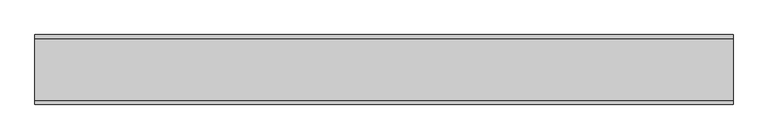
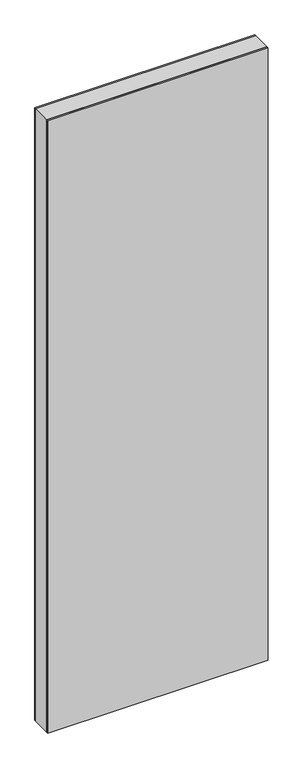
"""IFC4 building model written with IfcOpenShell, lengths in millimetres: plate geometry."""

from ifc_helpers import new_model, si_unit, frame, origin, origin_with_axes, place, context, project, spatial, polyline, outline, extrude, source, transform, mapped, element, save


def plate_9f0920fc(model_context):
    return source(origin(), model_context, "Body", "SweptSolid", [
        extrude(outline(polyline([(2931.0, -498.9415345), (0.0, -498.9415345), (0.0, 498.9415345), (2931.0, 498.9415345), (2931.0, -498.9415345)]), holes=[polyline([(2930.0, -497.9415345), (2930.0, 497.9415345), (1.0, 497.9415345), (1.0, -497.9415345), (2930.0, -497.9415345)])]), frame((0.0, -44.0, 0.0), z_axis=(0.0, 1.0, 0.0), x_axis=(0.0, 0.0, 1.0)), (0.0, 0.0, 1.0), 88.0),
        extrude(outline(polyline([(498.9415345, 44.0), (-498.9415345, 44.0), (-498.9415345, 50.0), (498.9415345, 50.0), (498.9415345, 44.0)])), origin_with_axes(), (0.0, 0.0, 1.0), 2931.0),
        extrude(outline(polyline([(-498.9415345, -50.0), (-498.9415345, -44.0), (498.9415345, -44.0), (498.9415345, -50.0), (-498.9415345, -50.0)])), origin_with_axes(), (0.0, 0.0, 1.0), 2931.0),
    ])


if __name__ == "__main__":
    model = new_model("IFC4")
    model_context = context("Model", 3, world=origin())
    ifc_project = project(units=[si_unit("LENGTHUNIT", "METRE", prefix="MILLI")], contexts=[model_context])
    site = spatial("IfcSite", under=ifc_project)
    building = spatial("IfcBuilding", under=site)
    placement = place(None, origin())
    plate_shape = plate_9f0920fc(model_context)
    element("IfcPlate", 1, at=placement, inside=building, context=model_context, shape_type="MappedRepresentation", body=[
        mapped(plate_shape, transform((0.0, 0.0, 0.0), x_axis=(1.0, 0.0, 0.0), y_axis=(0.0, 1.0, 0.0), z_axis=(0.0, 0.0, 1.0))),
    ])
    save(model, "model.ifc")
